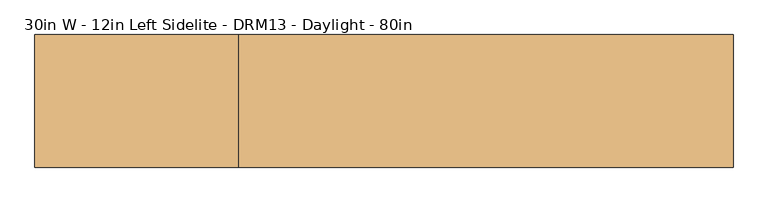
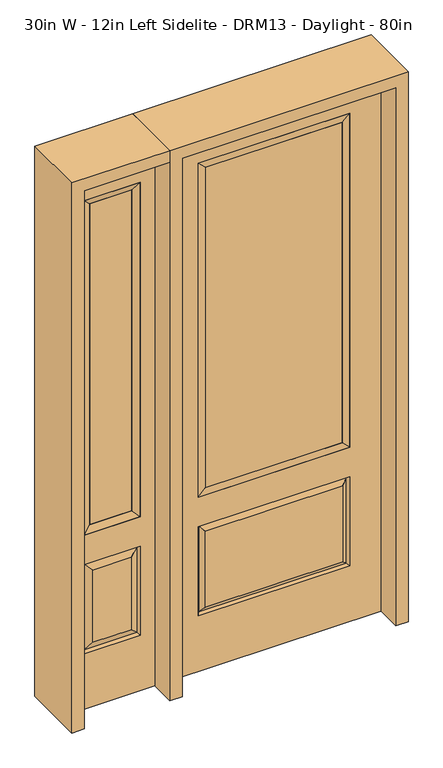
"""IFC4 building model written with IfcOpenShell, lengths in millimetres: door geometry, 30in W - 12in Left Sidelite - DRM13 - Daylight - 80in."""

from ifc_helpers import new_model, si_unit, frame, origin, place, context, project, spatial, polyline, outline, extrude, faceted_brep, source, transform, mapped, element, save


def door_30in_w_12in_left_sidelite_drm13_daylight_80in_ece25748(model_context):
    return source(origin(), model_context, "Body", "SolidModel", [
        faceted_brep([(-730.25, -22.225, 0.0), (-425.45, -22.225, 0.0), (-425.45, -22.225, 2032.0), (-730.25, -22.225, 2032.0), (-477.52, -22.225, 1919.224), (-477.52, -22.225, 657.098), (-678.18, -22.225, 657.098), (-678.18, -22.225, 1919.224), (-477.52, -22.225, 209.55), (-678.18, -22.225, 209.55), (-678.18, -22.225, 546.1), (-477.52, -22.225, 546.1), (-646.4648999, -22.225, 241.2651001), (-509.2351001, -22.225, 241.2651001), (-509.2351001, -22.225, 514.3848999), (-646.4648999, -22.225, 514.3848999), (-730.25, 22.225, 0.0), (-730.25, 22.225, 2032.0), (-425.45, 22.225, 2032.0), (-425.45, 22.225, 0.0), (-477.52, 22.225, 1919.224), (-678.18, 22.225, 1919.224), (-678.18, 22.225, 657.098), (-477.52, 22.225, 657.098), (-678.18, 22.225, 209.55), (-477.52, 22.225, 209.55), (-477.52, 22.225, 546.1), (-678.18, 22.225, 546.1), (-509.2351001, 22.225, 241.2651001), (-646.4648999, 22.225, 241.2651001), (-646.4648999, 22.225, 514.3848999), (-509.2351001, 22.225, 514.3848999), (-484.6288501, 12.7912373, 216.6588501), (-671.0711499, 12.7912373, 216.6588501), (-671.0711499, 12.7912373, 538.9911499), (-484.6288501, 12.7912373, 538.9911499), (-671.0711499, -12.7912373, 216.6588501), (-484.6288501, -12.7912373, 216.6588501), (-671.0711499, -12.7912373, 538.9911499), (-484.6288501, -12.7912373, 538.9911499)], [[[0, 1, 2, 3], [4, 5, 6, 7], [8, 9, 10, 11]], [[12, 13, 14, 15]], [[16, 17, 18, 19], [20, 21, 22, 23], [24, 25, 26, 27]], [[28, 29, 30, 31]], [[1, 0, 16, 19]], [[2, 1, 19, 18]], [[3, 2, 18, 17]], [[0, 3, 17, 16]], [[5, 4, 20, 23]], [[6, 5, 23, 22]], [[7, 6, 22, 21]], [[4, 7, 21, 20]], [[32, 33, 29, 28]], [[33, 32, 25, 24]], [[29, 33, 34, 30]], [[33, 24, 27, 34]], [[30, 34, 35, 31]], [[34, 27, 26, 35]], [[32, 28, 31, 35]], [[25, 32, 35, 26]], [[12, 36, 37, 13]], [[37, 36, 9, 8]], [[36, 12, 15, 38]], [[9, 36, 38, 10]], [[38, 15, 14, 39]], [[10, 38, 39, 11]], [[13, 37, 39, 14]], [[37, 8, 11, 39]]]),
        faceted_brep([(-678.18, 22.225, 1919.224), (-678.18, -22.225, 1919.224), (-477.52, -22.225, 1919.224), (-477.52, 22.225, 1919.224), (-652.78, 12.7, 1893.824), (-502.92, 12.7, 1893.824), (-652.78, -12.7, 1893.824), (-502.92, -12.7, 1893.824), (-477.52, -22.225, 657.098), (-477.52, 22.225, 657.098), (-502.92, 12.7, 682.498), (-502.92, -12.7, 682.498), (-678.18, -22.225, 657.098), (-678.18, 22.225, 657.098), (-652.78, 12.7, 682.498), (-652.78, -12.7, 682.498)], [[[0, 1, 2, 3]], [[4, 0, 3, 5]], [[6, 4, 5, 7]], [[1, 6, 7, 2]], [[3, 2, 8, 9]], [[5, 3, 9, 10]], [[7, 5, 10, 11]], [[2, 7, 11, 8]], [[9, 8, 12, 13]], [[10, 9, 13, 14]], [[11, 10, 14, 15]], [[8, 11, 15, 12]], [[13, 12, 1, 0]], [[14, 13, 0, 4]], [[15, 14, 4, 6]], [[12, 15, 6, 1]]]),
        extrude(outline(polyline([(-502.92, -12.7), (-652.78, -12.7), (-652.78, 12.7), (-502.92, 12.7), (-502.92, -12.7)])), frame((0.0, 0.0, 682.498), z_axis=(0.0, 0.0, 1.0), x_axis=(1.0, 0.0, 0.0)), (0.0, 0.0, 1.0), 1211.326),
        faceted_brep([(-262.7661499, -12.7912373, 216.6588501), (262.7661499, -12.7912373, 216.6588501), (245.26875, -22.225, 234.15625), (-245.26875, -22.225, 234.15625), (-269.875, -22.225, 209.55), (269.875, -22.225, 209.55), (-262.7661499, -12.7912373, 538.9911499), (-269.875, -22.225, 546.1), (245.26875, -22.225, 521.49375), (-245.26875, -22.225, 521.49375), (381.0, -22.225, 2032.0), (-381.0, -22.225, 2032.0), (-381.0, -22.225, 0.0), (381.0, -22.225, 0.0), (269.875, -22.225, 546.1), (269.875, -22.225, 1917.7), (269.875, -22.225, 657.098), (-269.875, -22.225, 657.098), (-269.875, -22.225, 1917.7), (262.7661499, -12.7912373, 538.9911499), (-381.0, 22.225, 2032.0), (-381.0, 22.225, 0.0), (381.0, 22.225, 0.0), (381.0, 22.225, 2032.0), (269.875, 22.225, 1917.7), (269.875, 22.225, 657.098), (-269.875, 22.225, 657.098), (-269.875, 22.225, 1917.7), (-269.875, 22.225, 209.55), (269.875, 22.225, 209.55), (269.875, 22.225, 546.1), (-269.875, 22.225, 546.1), (245.26875, 22.225, 234.15625), (-245.26875, 22.225, 234.15625), (-245.26875, 22.225, 521.49375), (245.26875, 22.225, 521.49375), (-262.7661499, 12.7912373, 216.6588501), (262.7661499, 12.7912373, 216.6588501), (262.7661499, 12.7912373, 538.9911499), (-262.7661499, 12.7912373, 538.9911499)], [[[0, 1, 2, 3]], [[1, 0, 4, 5]], [[4, 0, 6, 7]], [[3, 2, 8, 9]], [[10, 11, 12, 13], [5, 4, 7, 14], [15, 16, 17, 18]], [[1, 5, 14, 19]], [[2, 1, 19, 8]], [[0, 3, 9, 6]], [[7, 6, 19, 14]], [[6, 9, 8, 19]], [[12, 11, 20, 21]], [[13, 12, 21, 22]], [[10, 13, 22, 23]], [[16, 15, 24, 25]], [[17, 16, 25, 26]], [[18, 17, 26, 27]], [[23, 22, 21, 20], [28, 29, 30, 31], [24, 27, 26, 25]], [[32, 33, 34, 35]], [[28, 36, 37, 29]], [[29, 37, 38, 30]], [[39, 31, 30, 38]], [[36, 28, 31, 39]], [[37, 36, 33, 32]], [[33, 36, 39, 34]], [[34, 39, 38, 35]], [[37, 32, 35, 38]], [[11, 10, 23, 20]], [[15, 18, 27, 24]]]),
        faceted_brep([(-269.875, -22.225, 1917.7), (-269.875, 22.225, 1917.7), (-269.875, 22.225, 657.098), (-269.875, -22.225, 657.098), (269.875, 22.225, 657.098), (269.875, -22.225, 657.098), (-244.475, 5.08, 682.498), (244.475, 5.08, 682.498), (269.875, 22.225, 1917.7), (269.875, -22.225, 1917.7), (-244.475, -20.32, 682.498), (244.475, -20.32, 682.498), (-244.475, -20.32, 1892.3), (244.475, -20.32, 1892.3), (-244.475, 5.08, 1892.3), (244.475, 5.08, 1892.3)], [[[0, 1, 2, 3]], [[3, 2, 4, 5]], [[2, 6, 7, 4]], [[5, 4, 8, 9]], [[10, 3, 5, 11]], [[12, 0, 3, 10]], [[11, 5, 9, 13]], [[6, 10, 11, 7]], [[14, 12, 10, 6]], [[7, 11, 13, 15]], [[1, 14, 6, 2]], [[4, 7, 15, 8]], [[9, 8, 1, 0]], [[13, 9, 0, 12]], [[15, 13, 12, 14]], [[8, 15, 14, 1]]]),
        extrude(outline(polyline([(244.475, -20.32), (-244.475, -20.32), (-244.475, 5.08), (244.475, 5.08), (244.475, -20.32)])), frame((0.0, 0.0, 682.498), z_axis=(0.0, 0.0, 1.0), x_axis=(1.0, 0.0, 0.0)), (0.0, 0.0, 1.0), 1209.802),
        extrude(outline(polyline([(2032.0, -425.45), (2076.45, -425.45), (2076.45, -774.7), (0.0, -774.7), (0.0, -730.25), (2032.0, -730.25), (2032.0, -425.45)])), frame((0.0, -114.3, 0.0), z_axis=(0.0, 1.0, 0.0), x_axis=(0.0, 0.0, 1.0)), (0.0, 0.0, 1.0), 228.6),
        extrude(outline(polyline([(2076.45, -425.45), (0.0, -425.45), (0.0, -381.0), (2032.0, -381.0), (2032.0, 381.0), (0.0, 381.0), (0.0, 425.45), (2076.45, 425.45), (2076.45, -425.45)])), frame((0.0, -114.3, 0.0), z_axis=(0.0, 1.0, 0.0), x_axis=(0.0, 0.0, 1.0)), (0.0, 0.0, 1.0), 228.6),
    ])


if __name__ == "__main__":
    model = new_model("IFC4")
    model_context = context("Model", 3, world=origin())
    ifc_project = project(units=[si_unit("LENGTHUNIT", "METRE", prefix="MILLI")], contexts=[model_context])
    site = spatial("IfcSite", under=ifc_project)
    building = spatial("IfcBuilding", under=site)
    placement = place(None, origin())
    door_30in_w_12in_left_sidelite_drm13_daylight_80in_shape = door_30in_w_12in_left_sidelite_drm13_daylight_80in_ece25748(model_context)
    element("IfcDoor", 1, ObjectType="30in W - 12in Left Sidelite - DRM13 - Daylight - 80in", at=placement, inside=building, context=model_context, shape_type="MappedRepresentation", body=[
        mapped(door_30in_w_12in_left_sidelite_drm13_daylight_80in_shape, transform((0.0, 0.0, 0.0), x_axis=(1.0, 0.0, 0.0), y_axis=(0.0, 1.0, 0.0), z_axis=(0.0, 0.0, 1.0))),
    ])
    save(model, "model.ifc")
